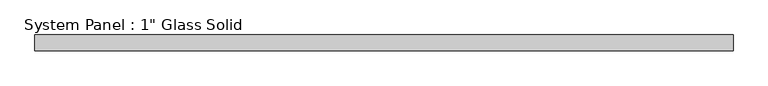
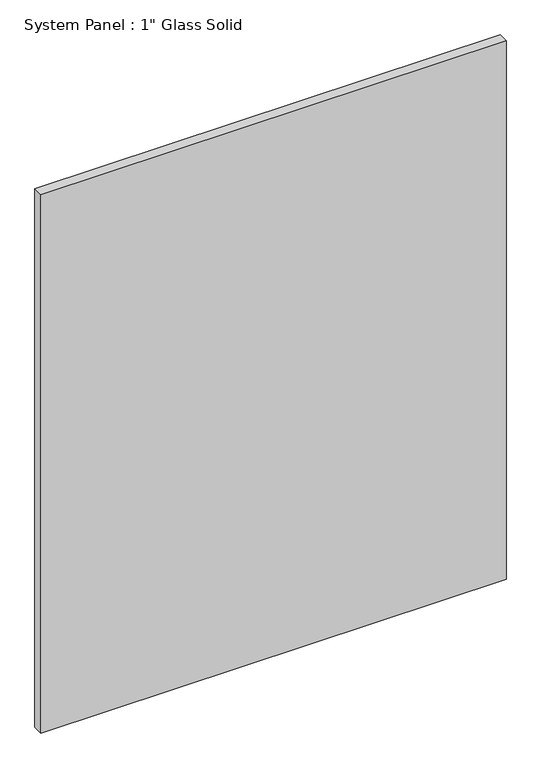
"""IFC4 building model written with IfcOpenShell, lengths in millimetres: plate geometry."""

from ifc_helpers import new_model, si_unit, origin, origin_with_axes, place, context, project, spatial, polyline, outline, extrude, source, transform, mapped, element, save


def plate_440b9721(model_context):
    return source(origin(), model_context, "Body", "SweptSolid", [
        extrude(outline(polyline([(568.3258852, -12.7), (-568.3258852, -12.7), (-568.3258852, 12.7), (568.3258852, 12.7), (568.3258852, -12.7)])), origin_with_axes(), (0.0, 0.0, 1.0), 1390.5394027),
    ])


if __name__ == "__main__":
    model = new_model("IFC4")
    model_context = context("Model", 3, world=origin())
    ifc_project = project(units=[si_unit("LENGTHUNIT", "METRE", prefix="MILLI")], contexts=[model_context])
    site = spatial("IfcSite", under=ifc_project)
    building = spatial("IfcBuilding", under=site)
    placement = place(None, origin())
    plate_shape = plate_440b9721(model_context)
    element("IfcPlate", 1, ObjectType="System Panel : 1\" Glass Solid", at=placement, inside=building, context=model_context, shape_type="MappedRepresentation", body=[
        mapped(plate_shape, transform((0.0, 0.0, 0.0), x_axis=(1.0, 0.0, 0.0), y_axis=(0.0, 1.0, 0.0), z_axis=(0.0, 0.0, 1.0))),
    ])
    save(model, "model.ifc")
